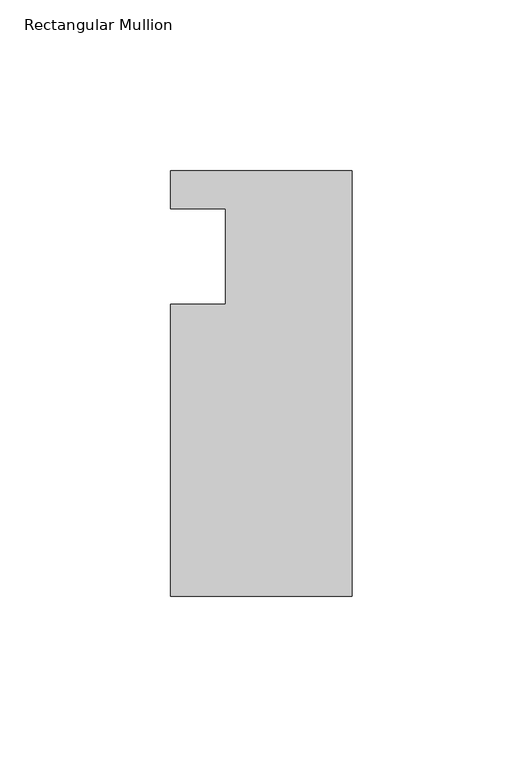
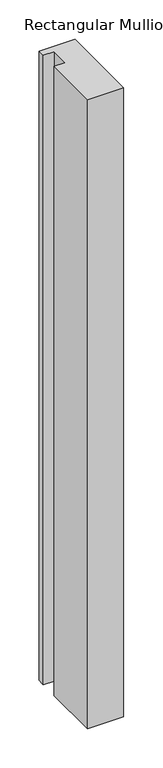
"""IFC4 building model written with IfcOpenShell, lengths in millimetres: member geometry, Rectangular Mullion."""

from ifc_helpers import new_model, si_unit, frame, origin, place, context, project, spatial, polyline, outline, extrude, source, transform, mapped, element, save


def rectangular_mullion_9a63cfcd(model_context):
    return source(origin(), model_context, "Body", "SweptSolid", [
        extrude(outline(polyline([(0.0, 25.0), (0.0, -99.5), (-53.0, -99.5), (-53.0, -14.0), (-37.0, -14.0), (-37.0, 14.0), (-53.0, 14.0), (-53.0, 25.0), (0.0, 25.0)])), frame((0.0, 0.0, -980.1744343), z_axis=(0.0, 0.0, 1.0), x_axis=(1.0, 0.0, 0.0)), (0.0, 0.0, 1.0), 980.1744343),
    ])


if __name__ == "__main__":
    model = new_model("IFC4")
    model_context = context("Model", 3, world=origin())
    ifc_project = project(units=[si_unit("LENGTHUNIT", "METRE", prefix="MILLI")], contexts=[model_context])
    site = spatial("IfcSite", under=ifc_project)
    building = spatial("IfcBuilding", under=site)
    placement = place(None, origin())
    rectangular_mullion_shape = rectangular_mullion_9a63cfcd(model_context)
    element("IfcMember", 1, ObjectType="Rectangular Mullion", at=placement, inside=building, context=model_context, shape_type="MappedRepresentation", body=[
        mapped(rectangular_mullion_shape, transform((0.0, 0.0, 0.0), x_axis=(1.0, 0.0, 0.0), y_axis=(0.0, 1.0, 0.0), z_axis=(0.0, 0.0, 1.0))),
    ])
    save(model, "model.ifc")
